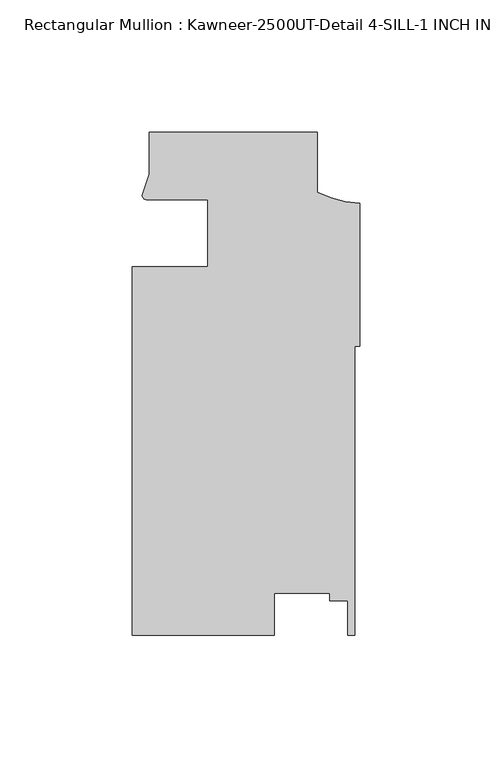
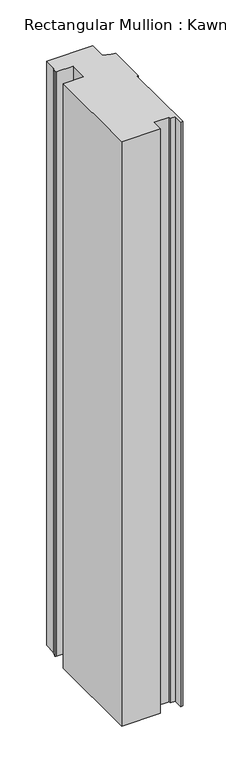
"""IFC4 building model written with IfcOpenShell, lengths in millimetres: member geometry, Rectangular Mullion : Kawneer-2500UT-Detail 4-SILL-1 INCH INFILL."""

from ifc_helpers import new_model, si_unit, point, frame, frame_2d, origin, place, context, project, spatial, polyline, circle_curve, trimmed, segment, composite_curve, outline, extrude, source, transform, mapped, element, save


def rectangular_mullion_kawneer_2500ut_detail_4_sill_1_inch_c4db65d5(model_context):
    return source(origin(), model_context, "Body", "SweptSolid", [
        extrude(outline(composite_curve([segment(polyline([(-85.8686733, -25.4669077), (-57.2936733, -25.4663259), (-57.2936733, -0.3840879)]), True, "CONTINUOUS"), segment(trimmed(circle_curve(frame_2d((-75.2179215, -461.0742748)), 461.0387479), [point((-57.2936733, -0.3840879))], [point((-80.5528021, -0.0663941))], True, "CARTESIAN"), True, "CONTINUOUS"), segment(trimmed(circle_curve(frame_2d((-80.4699106, 1.6349568)), 1.703369), [point((-80.5528021, -0.0663941))], [point((-82.1695285, 1.5219741))], False, "CARTESIAN"), True, "CONTINUOUS"), segment(polyline([(-82.1695285, 1.5219741), (-79.5186733, 9.4586425), (-79.5186733, 25.3335448), (-16.0186733, 25.3335448), (-16.0186733, 2.7958317)]), True, "CONTINUOUS"), segment(trimmed(circle_curve(frame_2d((1.9299154, 37.9143473)), 39.4393455), [point((-16.0186733, 2.7958317))], [point((0.0, -1.4777509))], True, "CARTESIAN"), True, "CONTINUOUS"), segment(polyline([(0.0, -1.4777509), (0.0, -55.5105127), (-1.8773984, -55.5105127), (-1.8773984, -164.6584552), (-4.4489746, -164.6584552), (-4.4489746, -151.614656), (-11.3069744, -151.614656), (-11.3069744, -148.7600507), (-32.2536236, -148.7600507), (-32.2536236, -164.6584552), (-85.8686733, -164.6584552), (-85.8686733, -25.4669077)]), True, "CONTINUOUS")], self_intersect=False)), frame((0.0, 0.0, -850.9), z_axis=(0.0, 0.0, 1.0), x_axis=(1.0, 0.0, 0.0)), (0.0, 0.0, 1.0), 850.9),
    ])


if __name__ == "__main__":
    model = new_model("IFC4")
    model_context = context("Model", 3, world=origin())
    ifc_project = project(units=[si_unit("LENGTHUNIT", "METRE", prefix="MILLI")], contexts=[model_context])
    site = spatial("IfcSite", under=ifc_project)
    building = spatial("IfcBuilding", under=site)
    placement = place(None, origin())
    rectangular_mullion_kawneer_2500ut_detail_4_sill_1_inch_shape = rectangular_mullion_kawneer_2500ut_detail_4_sill_1_inch_c4db65d5(model_context)
    element("IfcMember", 1, ObjectType="Rectangular Mullion : Kawneer-2500UT-Detail 4-SILL-1 INCH INFILL", at=placement, inside=building, context=model_context, shape_type="MappedRepresentation", body=[
        mapped(rectangular_mullion_kawneer_2500ut_detail_4_sill_1_inch_shape, transform((0.0, 0.0, 0.0), x_axis=(1.0, 0.0, 0.0), y_axis=(0.0, 1.0, 0.0), z_axis=(0.0, 0.0, 1.0))),
    ])
    save(model, "model.ifc")
